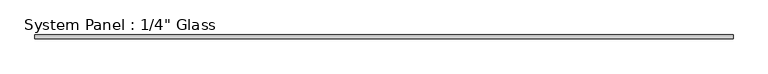
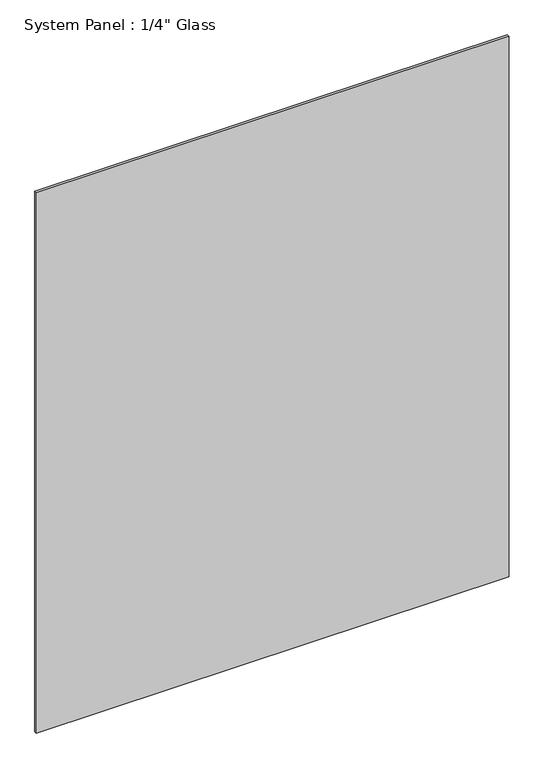
"""IFC4 building model written with IfcOpenShell, lengths in millimetres: plate geometry."""

from ifc_helpers import new_model, si_unit, origin, origin_with_axes, place, context, project, spatial, polyline, outline, extrude, source, transform, mapped, element, save


def plate_4df74c8a(model_context):
    return source(origin(), model_context, "Body", "SweptSolid", [
        extrude(outline(polyline([(594.1591185, -3.175), (-594.1591185, -3.175), (-594.1591185, 3.175), (594.1591185, 3.175), (594.1591185, -3.175)])), origin_with_axes(), (0.0, 0.0, 1.0), 1435.1),
    ])


if __name__ == "__main__":
    model = new_model("IFC4")
    model_context = context("Model", 3, world=origin())
    ifc_project = project(units=[si_unit("LENGTHUNIT", "METRE", prefix="MILLI")], contexts=[model_context])
    site = spatial("IfcSite", under=ifc_project)
    building = spatial("IfcBuilding", under=site)
    placement = place(None, origin())
    plate_shape = plate_4df74c8a(model_context)
    element("IfcPlate", 1, ObjectType="System Panel : 1/4\" Glass", at=placement, inside=building, context=model_context, shape_type="MappedRepresentation", body=[
        mapped(plate_shape, transform((0.0, 0.0, 0.0), x_axis=(1.0, 0.0, 0.0), y_axis=(0.0, 1.0, 0.0), z_axis=(0.0, 0.0, 1.0))),
    ])
    save(model, "model.ifc")
